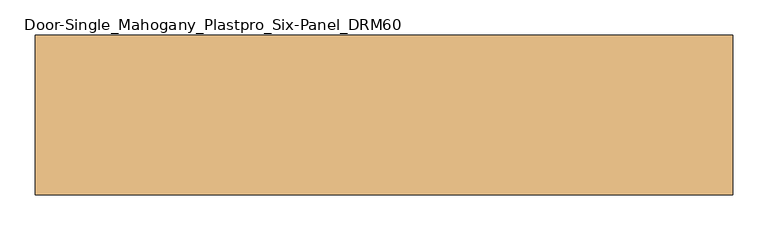
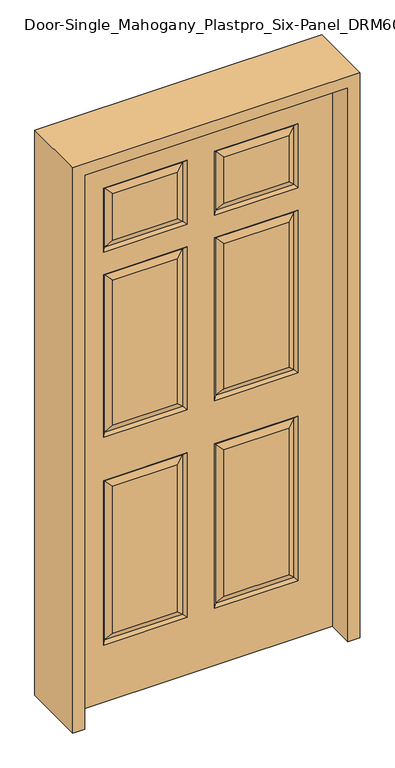
"""IFC4 building model written with IfcOpenShell, lengths in millimetres: door geometry, Door-Single_Mahogany_Plastpro_Six-Panel_DRM60."""

from ifc_helpers import new_model, si_unit, frame, origin, place, context, project, spatial, polyline, outline, extrude, faceted_brep, source, transform, mapped, element, save


def door_single_mahogany_plastpro_six_panel_drm60_23a75676(model_context):
    return source(origin(), model_context, "Body", "SolidModel", [
        faceted_brep([(457.2, -20.6375, 0.0), (-457.2, -20.6375, 0.0), (-457.2, 20.6375, 0.0), (457.2, 20.6375, 0.0), (-305.5351108, -20.6375, 1004.0531705), (-80.1281705, -20.6375, 1004.0531705), (-80.1281705, -20.6375, 1535.9468295), (-305.5351108, -20.6375, 1535.9468295), (80.1291512, -20.6375, 1004.0541512), (305.5341301, -20.6375, 1004.0541512), (305.5341301, -20.6375, 1535.9458488), (80.1291512, -20.6375, 1535.9458488), (80.1281705, -20.6375, 242.0531705), (305.5351108, -20.6375, 242.0531705), (305.5351108, -20.6375, 780.2968295), (80.1281705, -20.6375, 780.2968295), (-305.5351108, -20.6375, 242.0531705), (-80.1281705, -20.6375, 242.0531705), (-80.1281705, -20.6375, 780.2968295), (-305.5351108, -20.6375, 780.2968295), (80.1281705, -20.6375, 1683.5031705), (305.5351108, -20.6375, 1683.5031705), (305.5351108, -20.6375, 1853.4468295), (80.1281705, -20.6375, 1853.4468295), (-305.5351108, -20.6375, 1683.5031705), (-80.1281705, -20.6375, 1683.5031705), (-80.1281705, -20.6375, 1853.4468295), (-305.5351108, -20.6375, 1853.4468295), (457.2, -20.6375, 2032.0), (-457.2, -20.6375, 2032.0), (338.0372993, -20.6375, 971.5509819), (47.6259819, -20.6375, 971.5509819), (47.6259819, -20.6375, 1568.4490181), (338.0372993, -20.6375, 1568.4490181), (-47.6250012, -20.6375, 971.5500012), (-338.03828, -20.6375, 971.5500012), (-338.03828, -20.6375, 1568.4499988), (-47.6250012, -20.6375, 1568.4499988), (338.03828, -20.6375, 209.5500012), (47.6250012, -20.6375, 209.5500012), (47.6250012, -20.6375, 812.7999988), (338.03828, -20.6375, 812.7999988), (-47.6250012, -20.6375, 209.5500012), (-338.03828, -20.6375, 209.5500012), (-338.03828, -20.6375, 812.7999988), (-47.6250012, -20.6375, 812.7999988), (338.03828, -20.6375, 1651.0000012), (47.6250012, -20.6375, 1651.0000012), (47.6250012, -20.6375, 1885.9499988), (338.03828, -20.6375, 1885.9499988), (-47.6250012, -20.6375, 1651.0000012), (-338.03828, -20.6375, 1651.0000012), (-338.03828, -20.6375, 1885.9499988), (-47.6250012, -20.6375, 1885.9499988), (-457.2, 20.6375, 2032.0), (-80.1281705, 20.6375, 1004.0531705), (-305.5351108, 20.6375, 1004.0531705), (-305.5351108, 20.6375, 1535.9468295), (-80.1281705, 20.6375, 1535.9468295), (305.5341301, 20.6375, 1004.0541512), (80.1291512, 20.6375, 1004.0541512), (80.1291512, 20.6375, 1535.9458488), (305.5341301, 20.6375, 1535.9458488), (305.5351108, 20.6375, 242.0531705), (80.1281705, 20.6375, 242.0531705), (80.1281705, 20.6375, 780.2968295), (305.5351108, 20.6375, 780.2968295), (-80.1281705, 20.6375, 242.0531705), (-305.5351108, 20.6375, 242.0531705), (-305.5351108, 20.6375, 780.2968295), (-80.1281705, 20.6375, 780.2968295), (305.5351108, 20.6375, 1683.5031705), (80.1281705, 20.6375, 1683.5031705), (80.1281705, 20.6375, 1853.4468295), (305.5351108, 20.6375, 1853.4468295), (-80.1281705, 20.6375, 1683.5031705), (-305.5351108, 20.6375, 1683.5031705), (-305.5351108, 20.6375, 1853.4468295), (-80.1281705, 20.6375, 1853.4468295), (457.2, 20.6375, 2032.0), (-338.03828, 20.6375, 971.5500012), (-47.6250012, 20.6375, 971.5500012), (-47.6250012, 20.6375, 1568.4499988), (-338.03828, 20.6375, 1568.4499988), (47.6259819, 20.6375, 971.5509819), (338.0372993, 20.6375, 971.5509819), (338.0372993, 20.6375, 1568.4490181), (47.6259819, 20.6375, 1568.4490181), (47.6250012, 20.6375, 209.5500012), (338.03828, 20.6375, 209.5500012), (338.03828, 20.6375, 812.7999988), (47.6250012, 20.6375, 812.7999988), (-338.03828, 20.6375, 209.5500012), (-47.6250012, 20.6375, 209.5500012), (-47.6250012, 20.6375, 812.7999988), (-338.03828, 20.6375, 812.7999988), (47.6250012, 20.6375, 1651.0000012), (338.03828, 20.6375, 1651.0000012), (338.03828, 20.6375, 1885.9499988), (47.6250012, 20.6375, 1885.9499988), (-338.03828, 20.6375, 1651.0000012), (-47.6250012, 20.6375, 1651.0000012), (-47.6250012, 20.6375, 1885.9499988), (-338.03828, 20.6375, 1885.9499988), (-328.3527618, 10.9519818, 981.2355194), (-57.3105194, 10.9519818, 981.2355194), (-57.3105194, 10.9519818, 1558.7644806), (-328.3527618, 10.9519818, 1558.7644806), (57.3115001, 10.9519818, 981.2365001), (328.3517811, 10.9519818, 981.2365001), (328.3517811, 10.9519818, 1558.7634999), (57.3115001, 10.9519818, 1558.7634999), (57.3105194, 10.9519818, 219.2355194), (328.3527618, 10.9519818, 219.2355194), (328.3527618, 10.9519818, 803.1144806), (57.3105194, 10.9519818, 803.1144806), (-328.3527618, 10.9519818, 219.2355194), (-57.3105194, 10.9519818, 219.2355194), (-57.3105194, 10.9519818, 803.1144806), (-328.3527618, 10.9519818, 803.1144806), (-328.3527618, -10.9519818, 981.2355194), (-57.3105194, -10.9519818, 981.2355194), (-57.3105194, -10.9519818, 1558.7644806), (-328.3527618, -10.9519818, 1558.7644806), (57.3115001, -10.9519818, 981.2365001), (328.3517811, -10.9519818, 981.2365001), (328.3517811, -10.9519818, 1558.7634999), (57.3115001, -10.9519818, 1558.7634999), (57.3105194, -10.9519818, 219.2355194), (328.3527618, -10.9519818, 219.2355194), (328.3527618, -10.9519818, 803.1144806), (57.3105194, -10.9519818, 803.1144806), (-328.3527618, -10.9519818, 219.2355194), (-57.3105194, -10.9519818, 219.2355194), (-57.3105194, -10.9519818, 803.1144806), (-328.3527618, -10.9519818, 803.1144806), (57.3105194, 10.9519818, 1660.6855194), (328.3527618, 10.9519818, 1660.6855194), (57.3105194, -10.9519818, 1660.6855194), (328.3527618, -10.9519818, 1660.6855194), (57.3105194, 10.9519818, 1876.2644806), (57.3105194, -10.9519818, 1876.2644806), (328.3527618, 10.9519818, 1876.2644806), (328.3527618, -10.9519818, 1876.2644806), (-328.3527618, 10.9519818, 1660.6855194), (-57.3105194, 10.9519818, 1660.6855194), (-328.3527618, 10.9519818, 1876.2644806), (-57.3105194, 10.9519818, 1876.2644806), (-328.3527618, -10.9519818, 1660.6855194), (-57.3105194, -10.9519818, 1660.6855194), (-328.3527618, -10.9519818, 1876.2644806), (-57.3105194, -10.9519818, 1876.2644806)], [[[0, 1, 2, 3]], [[4, 5, 6, 7]], [[8, 9, 10, 11]], [[12, 13, 14, 15]], [[16, 17, 18, 19]], [[20, 21, 22, 23]], [[24, 25, 26, 27]], [[28, 29, 1, 0], [30, 31, 32, 33], [34, 35, 36, 37], [38, 39, 40, 41], [42, 43, 44, 45], [46, 47, 48, 49], [50, 51, 52, 53]], [[29, 54, 2, 1]], [[55, 56, 57, 58]], [[59, 60, 61, 62]], [[63, 64, 65, 66]], [[67, 68, 69, 70]], [[71, 72, 73, 74]], [[75, 76, 77, 78]], [[54, 79, 3, 2], [80, 81, 82, 83], [84, 85, 86, 87], [88, 89, 90, 91], [92, 93, 94, 95], [96, 97, 98, 99], [100, 101, 102, 103]], [[79, 28, 0, 3]], [[80, 104, 105, 81]], [[81, 105, 106, 82]], [[104, 80, 83, 107]], [[105, 104, 56, 55]], [[56, 104, 107, 57]], [[105, 55, 58, 106]], [[84, 108, 109, 85]], [[85, 109, 110, 86]], [[108, 84, 87, 111]], [[109, 108, 60, 59]], [[60, 108, 111, 61]], [[109, 59, 62, 110]], [[88, 112, 113, 89]], [[89, 113, 114, 90]], [[115, 91, 90, 114]], [[112, 88, 91, 115]], [[113, 112, 64, 63]], [[64, 112, 115, 65]], [[65, 115, 114, 66]], [[113, 63, 66, 114]], [[92, 116, 117, 93]], [[93, 117, 118, 94]], [[119, 95, 94, 118]], [[116, 92, 95, 119]], [[117, 116, 68, 67]], [[68, 116, 119, 69]], [[69, 119, 118, 70]], [[117, 67, 70, 118]], [[4, 120, 121, 5]], [[5, 121, 122, 6]], [[120, 4, 7, 123]], [[121, 120, 35, 34]], [[35, 120, 123, 36]], [[121, 34, 37, 122]], [[8, 124, 125, 9]], [[9, 125, 126, 10]], [[124, 8, 11, 127]], [[125, 124, 31, 30]], [[31, 124, 127, 32]], [[125, 30, 33, 126]], [[12, 128, 129, 13]], [[13, 129, 130, 14]], [[131, 15, 14, 130]], [[128, 12, 15, 131]], [[129, 128, 39, 38]], [[39, 128, 131, 40]], [[40, 131, 130, 41]], [[129, 38, 41, 130]], [[16, 132, 133, 17]], [[17, 133, 134, 18]], [[135, 19, 18, 134]], [[132, 16, 19, 135]], [[133, 132, 43, 42]], [[43, 132, 135, 44]], [[44, 135, 134, 45]], [[133, 42, 45, 134]], [[96, 136, 137, 97]], [[137, 136, 72, 71]], [[20, 138, 139, 21]], [[139, 138, 47, 46]], [[136, 96, 99, 140]], [[72, 136, 140, 73]], [[138, 20, 23, 141]], [[47, 138, 141, 48]], [[140, 99, 98, 142]], [[73, 140, 142, 74]], [[141, 23, 22, 143]], [[48, 141, 143, 49]], [[97, 137, 142, 98]], [[137, 71, 74, 142]], [[21, 139, 143, 22]], [[139, 46, 49, 143]], [[28, 79, 54, 29]], [[100, 144, 145, 101]], [[145, 144, 76, 75]], [[144, 100, 103, 146]], [[76, 144, 146, 77]], [[146, 103, 102, 147]], [[77, 146, 147, 78]], [[101, 145, 147, 102]], [[145, 75, 78, 147]], [[24, 148, 149, 25]], [[149, 148, 51, 50]], [[148, 24, 27, 150]], [[51, 148, 150, 52]], [[150, 27, 26, 151]], [[52, 150, 151, 53]], [[25, 149, 151, 26]], [[149, 50, 53, 151]], [[107, 83, 82, 106]], [[57, 107, 106, 58]], [[123, 7, 6, 122]], [[36, 123, 122, 37]], [[111, 87, 86, 110]], [[61, 111, 110, 62]], [[127, 11, 10, 126]], [[32, 127, 126, 33]]]),
        extrude(outline(polyline([(2073.275, -498.475), (0.0, -498.475), (0.0, -457.2), (2032.0, -457.2), (2032.0, 457.2), (0.0, 457.2), (0.0, 498.475), (2073.275, 498.475), (2073.275, -498.475)])), frame((0.0, -114.3, 0.0), z_axis=(0.0, 1.0, 0.0), x_axis=(0.0, 0.0, 1.0)), (0.0, 0.0, 1.0), 228.6),
    ])


if __name__ == "__main__":
    model = new_model("IFC4")
    model_context = context("Model", 3, world=origin())
    ifc_project = project(units=[si_unit("LENGTHUNIT", "METRE", prefix="MILLI")], contexts=[model_context])
    site = spatial("IfcSite", under=ifc_project)
    building = spatial("IfcBuilding", under=site)
    placement = place(None, origin())
    door_single_mahogany_plastpro_six_panel_drm60_shape = door_single_mahogany_plastpro_six_panel_drm60_23a75676(model_context)
    element("IfcDoor", 1, ObjectType="Door-Single_Mahogany_Plastpro_Six-Panel_DRM60", at=placement, inside=building, context=model_context, shape_type="MappedRepresentation", body=[
        mapped(door_single_mahogany_plastpro_six_panel_drm60_shape, transform((0.0, 0.0, 0.0), x_axis=(1.0, 0.0, 0.0), y_axis=(0.0, 1.0, 0.0), z_axis=(0.0, 0.0, 1.0))),
    ])
    save(model, "model.ifc")
